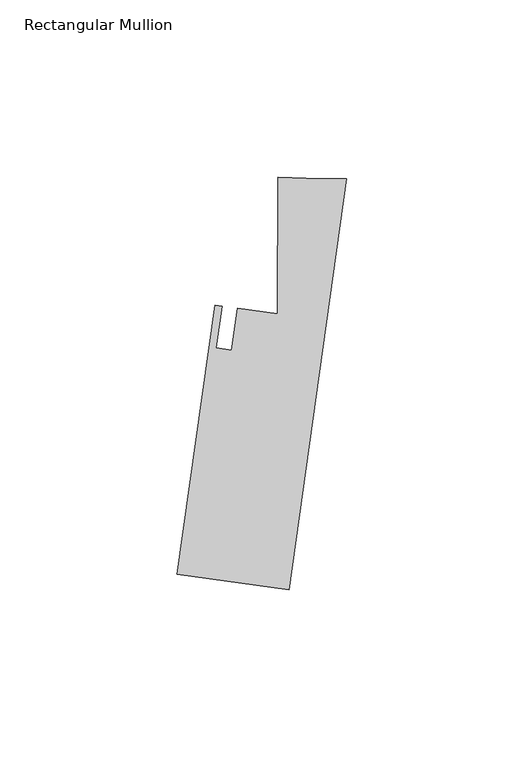
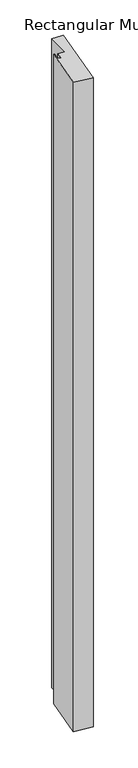
"""IFC4 building model written with IfcOpenShell, lengths in millimetres: member geometry, Rectangular Mullion."""

from ifc_helpers import new_model, si_unit, frame, origin, place, context, project, spatial, polyline, outline, extrude, source, transform, mapped, element, save


def rectangular_mullion_ca10177c(model_context):
    return source(origin(), model_context, "Body", "SweptSolid", [
        extrude(outline(polyline([(-47.7197012, -111.7075847), (-37.0687359, -35.9221742), (-35.1068072, -36.1979058), (-36.7611888, -47.9694199), (-32.4349058, -48.5774405), (-30.7805233, -36.8059201), (-19.4249594, -38.4018436), (-19.3699134, 0.0328859), (-11.3980148, -0.183441), (0.0, -0.2976548), (-16.2786912, -116.126339), (-47.7197012, -111.7075847)])), frame((0.0, 0.0, -1155.7), z_axis=(0.0, 0.0, 1.0), x_axis=(1.0, 0.0, 0.0)), (0.0, 0.0, 1.0), 1155.7),
    ])


if __name__ == "__main__":
    model = new_model("IFC4")
    model_context = context("Model", 3, world=origin())
    ifc_project = project(units=[si_unit("LENGTHUNIT", "METRE", prefix="MILLI")], contexts=[model_context])
    site = spatial("IfcSite", under=ifc_project)
    building = spatial("IfcBuilding", under=site)
    placement = place(None, origin())
    rectangular_mullion_shape = rectangular_mullion_ca10177c(model_context)
    element("IfcMember", 1, ObjectType="Rectangular Mullion", at=placement, inside=building, context=model_context, shape_type="MappedRepresentation", body=[
        mapped(rectangular_mullion_shape, transform((0.0, 0.0, 0.0), x_axis=(1.0, 0.0, 0.0), y_axis=(0.0, 1.0, 0.0), z_axis=(0.0, 0.0, 1.0))),
    ])
    save(model, "model.ifc")
